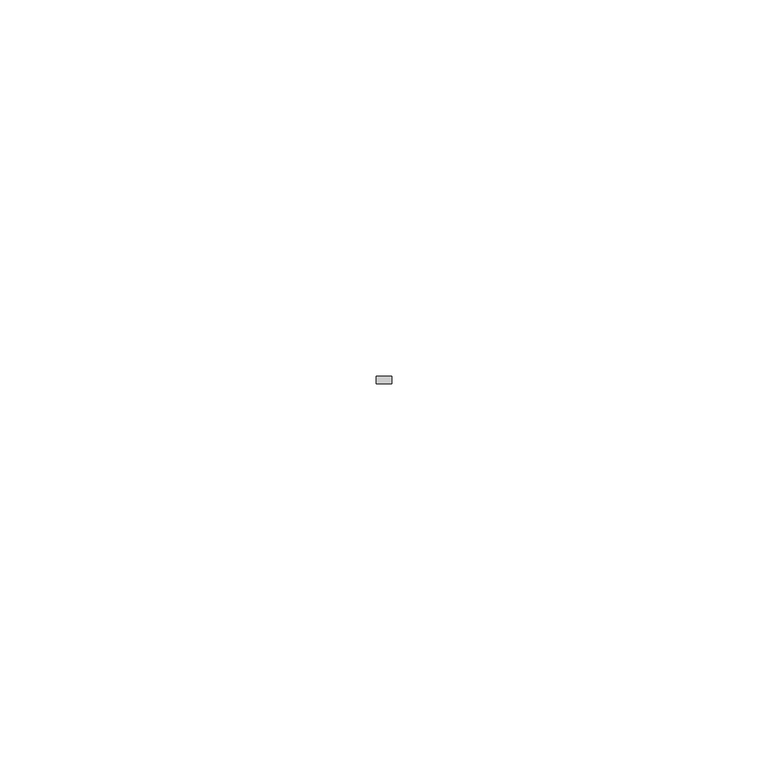
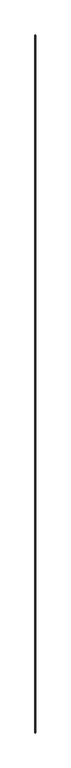
"""IFC4 building model written with IfcOpenShell, lengths in millimetres: member geometry."""

from ifc_helpers import new_model, si_unit, frame, origin, place, context, project, spatial, polyline, outline, extrude, source, transform, mapped, element, save


def member_7232f04f(model_context):
    return source(origin(), model_context, "Body", "SweptSolid", [
        extrude(outline(polyline([(0.0, 7.0), (0.0, 6.0), (-2.0, 6.0), (-2.0, 7.0), (0.0, 7.0)])), frame((0.0, 0.0, -2500.0), z_axis=(0.0, 0.0, 1.0), x_axis=(1.0, 0.0, 0.0)), (0.0, 0.0, 1.0), 2500.0),
    ])


if __name__ == "__main__":
    model = new_model("IFC4")
    model_context = context("Model", 3, world=origin())
    ifc_project = project(units=[si_unit("LENGTHUNIT", "METRE", prefix="MILLI")], contexts=[model_context])
    site = spatial("IfcSite", under=ifc_project)
    building = spatial("IfcBuilding", under=site)
    placement = place(None, origin())
    member_shape = member_7232f04f(model_context)
    element("IfcMember", 1, at=placement, inside=building, context=model_context, shape_type="MappedRepresentation", body=[
        mapped(member_shape, transform((0.0, 0.0, 0.0), x_axis=(1.0, 0.0, 0.0), y_axis=(0.0, 1.0, 0.0), z_axis=(0.0, 0.0, 1.0))),
    ])
    save(model, "model.ifc")
